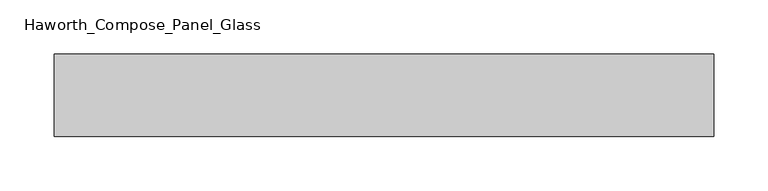
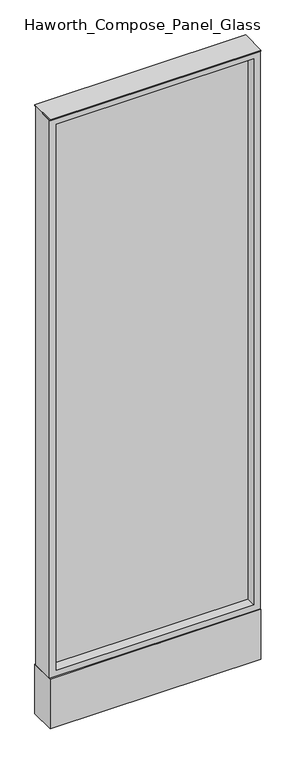
"""IFC4 building model written with IfcOpenShell, lengths in millimetres: furniture geometry, Haworth_Compose_Panel_Glass."""

from ifc_helpers import new_model, si_unit, point, frame, frame_2d, origin, origin_with_axes, place, context, project, spatial, polyline, circle_curve, trimmed, segment, composite_curve, outline, extrude, source, transform, mapped, element, save


def haworth_compose_panel_glass_57ae8635(model_context):
    return source(origin(), model_context, "Body", "SweptSolid", [
        extrude(outline(composite_curve([segment(trimmed(circle_curve(frame_2d((231.0402902, 0.0)), 12.7), [point((218.3402902, 0.0))], [point((243.7402902, 0.0))], False, "CARTESIAN"), True, "CONTINUOUS"), segment(trimmed(circle_curve(frame_2d((231.0402902, 0.0)), 12.7), [point((243.7402902, 0.0))], [point((218.3402902, 0.0))], False, "CARTESIAN"), True, "CONTINUOUS")], self_intersect=False)), origin_with_axes(), (0.0, 0.0, 1.0), 12.7),
        extrude(outline(composite_curve([segment(trimmed(circle_curve(frame_2d((-226.1597098, 0.0)), 12.7), [point((-238.8597098, 0.0))], [point((-213.4597098, 0.0))], False, "CARTESIAN"), True, "CONTINUOUS"), segment(trimmed(circle_curve(frame_2d((-226.1597098, 0.0)), 12.7), [point((-213.4597098, 0.0))], [point((-238.8597098, 0.0))], False, "CARTESIAN"), True, "CONTINUOUS")], self_intersect=False)), origin_with_axes(), (0.0, 0.0, 1.0), 12.7),
        extrude(outline(polyline([(288.1902902, -6.35), (-283.3097098, -6.35), (-283.3097098, 6.35), (288.1902902, 6.35), (288.1902902, -6.35)])), frame((0.0, 0.0, 184.15), z_axis=(0.0, 0.0, 1.0), x_axis=(1.0, 0.0, 0.0)), (0.0, 0.0, 1.0), 1670.05),
        extrude(outline(polyline([(1873.25, -302.3597098), (165.1, -302.3597098), (165.1, 307.2402902), (1873.25, 307.2402902), (1873.25, -302.3597098)]), holes=[polyline([(1854.2, 288.1902902), (184.15, 288.1902902), (184.15, -283.3097098), (1854.2, -283.3097098), (1854.2, 288.1902902)])]), frame((0.0, -34.925, 0.0), z_axis=(0.0, 1.0, 0.0), x_axis=(0.0, 0.0, 1.0)), (0.0, 0.0, 1.0), 69.85),
        extrude(outline(polyline([(-302.3597098, 38.1), (307.2402902, 38.1), (307.2402902, -38.1), (-302.3597098, -38.1), (-302.3597098, 38.1)])), frame((0.0, 0.0, 12.7), z_axis=(0.0, 0.0, 1.0), x_axis=(1.0, 0.0, 0.0)), (0.0, 0.0, 1.0), 152.4),
        extrude(outline(polyline([(-302.3597098, -38.1), (-302.3597098, 38.1), (307.2402902, 38.1), (307.2402902, -38.1), (-302.3597098, -38.1)])), frame((0.0, 0.0, 1873.25), z_axis=(0.0, 0.0, 1.0), x_axis=(1.0, 0.0, 0.0)), (0.0, 0.0, 1.0), 3.175),
    ])


if __name__ == "__main__":
    model = new_model("IFC4")
    model_context = context("Model", 3, world=origin())
    ifc_project = project(units=[si_unit("LENGTHUNIT", "METRE", prefix="MILLI")], contexts=[model_context])
    site = spatial("IfcSite", under=ifc_project)
    building = spatial("IfcBuilding", under=site)
    placement = place(None, origin())
    haworth_compose_panel_glass_shape = haworth_compose_panel_glass_57ae8635(model_context)
    element("IfcFurniture", 1, ObjectType="Haworth_Compose_Panel_Glass", at=placement, inside=building, context=model_context, shape_type="MappedRepresentation", body=[
        mapped(haworth_compose_panel_glass_shape, transform((0.0, 0.0, 0.0), x_axis=(1.0, 0.0, 0.0), y_axis=(0.0, 1.0, 0.0), z_axis=(0.0, 0.0, 1.0))),
    ])
    save(model, "model.ifc")
